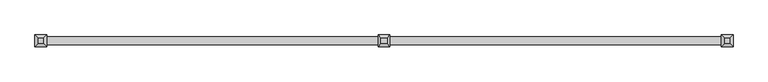
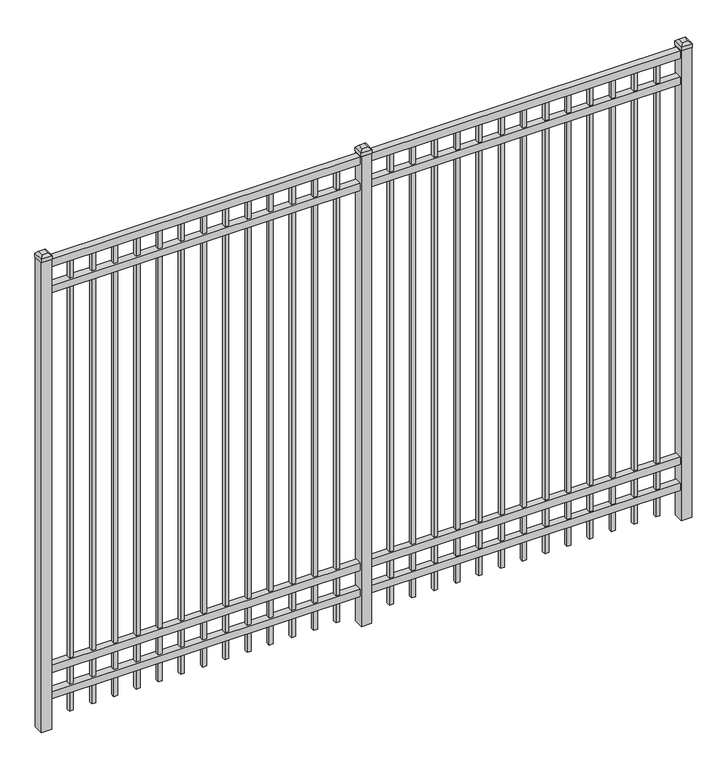
"""IFC4 building model written with IfcOpenShell, lengths in millimetres: railing geometry."""

from ifc_helpers import new_model, si_unit, frame, origin, origin_with_axes, place, context, project, spatial, polyline, outline, extrude, faceted_brep, source, transform, mapped, element, save


def railing_47c44576(model_context):
    return source(origin(), model_context, "Body", "SolidModel", [
        extrude(outline(polyline([(-55249.318087, -6748.7195174), (-55249.318087, -6713.7945174), (-52099.718087, -6713.7945174), (-52099.718087, -6748.7195174), (-55249.318087, -6748.7195174)])), frame((0.0, 0.0, 2400.3), z_axis=(0.0, 0.0, 1.0), x_axis=(1.0, 0.0, 0.0)), (0.0, 0.0, 1.0), 38.1),
        extrude(outline(polyline([(-55249.318087, -6748.7195174), (-55249.318087, -6713.7945174), (-52099.718087, -6713.7945174), (-52099.718087, -6748.7195174), (-55249.318087, -6748.7195174)])), frame((0.0, 0.0, 2263.775), z_axis=(0.0, 0.0, 1.0), x_axis=(1.0, 0.0, 0.0)), (0.0, 0.0, 1.0), 38.1),
        extrude(outline(polyline([(-55249.318087, -6748.7195174), (-55249.318087, -6713.7945174), (-52099.718087, -6713.7945174), (-52099.718087, -6748.7195174), (-55249.318087, -6748.7195174)])), frame((0.0, 0.0, 288.925), z_axis=(0.0, 0.0, 1.0), x_axis=(1.0, 0.0, 0.0)), (0.0, 0.0, 1.0), 38.1),
        extrude(outline(polyline([(-55249.318087, -6748.7195174), (-55249.318087, -6713.7945174), (-52099.718087, -6713.7945174), (-52099.718087, -6748.7195174), (-55249.318087, -6748.7195174)])), frame((0.0, 0.0, 152.4), z_axis=(0.0, 0.0, 1.0), x_axis=(1.0, 0.0, 0.0)), (0.0, 0.0, 1.0), 38.1),
        extrude(outline(polyline([(-52331.2285036, -6721.7320174), (-52331.2285036, -6740.7820174), (-52350.2785036, -6740.7820174), (-52350.2785036, -6721.7320174), (-52331.2285036, -6721.7320174)])), frame((0.0, 0.0, 50.8), z_axis=(0.0, 0.0, 1.0), x_axis=(1.0, 0.0, 0.0)), (0.0, 0.0, 1.0), 2349.5),
        extrude(outline(polyline([(-52440.5014203, -6721.7320174), (-52440.5014203, -6740.7820174), (-52459.5514203, -6740.7820174), (-52459.5514203, -6721.7320174), (-52440.5014203, -6721.7320174)])), frame((0.0, 0.0, 50.8), z_axis=(0.0, 0.0, 1.0), x_axis=(1.0, 0.0, 0.0)), (0.0, 0.0, 1.0), 2349.5),
        extrude(outline(polyline([(-52549.774337, -6721.7320174), (-52549.774337, -6740.7820174), (-52568.824337, -6740.7820174), (-52568.824337, -6721.7320174), (-52549.774337, -6721.7320174)])), frame((0.0, 0.0, 50.8), z_axis=(0.0, 0.0, 1.0), x_axis=(1.0, 0.0, 0.0)), (0.0, 0.0, 1.0), 2349.5),
        extrude(outline(polyline([(-52659.0472536, -6721.7320174), (-52659.0472536, -6740.7820174), (-52678.0972536, -6740.7820174), (-52678.0972536, -6721.7320174), (-52659.0472536, -6721.7320174)])), frame((0.0, 0.0, 50.8), z_axis=(0.0, 0.0, 1.0), x_axis=(1.0, 0.0, 0.0)), (0.0, 0.0, 1.0), 2349.5),
        extrude(outline(polyline([(-52768.3201703, -6721.7320174), (-52768.3201703, -6740.7820174), (-52787.3701703, -6740.7820174), (-52787.3701703, -6721.7320174), (-52768.3201703, -6721.7320174)])), frame((0.0, 0.0, 50.8), z_axis=(0.0, 0.0, 1.0), x_axis=(1.0, 0.0, 0.0)), (0.0, 0.0, 1.0), 2349.5),
        extrude(outline(polyline([(-52877.593087, -6721.7320174), (-52877.593087, -6740.7820174), (-52896.643087, -6740.7820174), (-52896.643087, -6721.7320174), (-52877.593087, -6721.7320174)])), frame((0.0, 0.0, 50.8), z_axis=(0.0, 0.0, 1.0), x_axis=(1.0, 0.0, 0.0)), (0.0, 0.0, 1.0), 2349.5),
        extrude(outline(polyline([(-52986.8660036, -6721.7320174), (-52986.8660036, -6740.7820174), (-53005.9160036, -6740.7820174), (-53005.9160036, -6721.7320174), (-52986.8660036, -6721.7320174)])), frame((0.0, 0.0, 50.8), z_axis=(0.0, 0.0, 1.0), x_axis=(1.0, 0.0, 0.0)), (0.0, 0.0, 1.0), 2349.5),
        extrude(outline(polyline([(-53096.1389203, -6721.7320174), (-53096.1389203, -6740.7820174), (-53115.1889203, -6740.7820174), (-53115.1889203, -6721.7320174), (-53096.1389203, -6721.7320174)])), frame((0.0, 0.0, 50.8), z_axis=(0.0, 0.0, 1.0), x_axis=(1.0, 0.0, 0.0)), (0.0, 0.0, 1.0), 2349.5),
        extrude(outline(polyline([(-53205.411837, -6721.7320174), (-53205.411837, -6740.7820174), (-53224.461837, -6740.7820174), (-53224.461837, -6721.7320174), (-53205.411837, -6721.7320174)])), frame((0.0, 0.0, 50.8), z_axis=(0.0, 0.0, 1.0), x_axis=(1.0, 0.0, 0.0)), (0.0, 0.0, 1.0), 2349.5),
        extrude(outline(polyline([(-53314.6847536, -6721.7320174), (-53314.6847536, -6740.7820174), (-53333.7347536, -6740.7820174), (-53333.7347536, -6721.7320174), (-53314.6847536, -6721.7320174)])), frame((0.0, 0.0, 50.8), z_axis=(0.0, 0.0, 1.0), x_axis=(1.0, 0.0, 0.0)), (0.0, 0.0, 1.0), 2349.5),
        extrude(outline(polyline([(-53423.9576703, -6721.7320174), (-53423.9576703, -6740.7820174), (-53443.0076703, -6740.7820174), (-53443.0076703, -6721.7320174), (-53423.9576703, -6721.7320174)])), frame((0.0, 0.0, 50.8), z_axis=(0.0, 0.0, 1.0), x_axis=(1.0, 0.0, 0.0)), (0.0, 0.0, 1.0), 2349.5),
        extrude(outline(polyline([(-52221.955587, -6721.7320174), (-52221.955587, -6740.7820174), (-52241.005587, -6740.7820174), (-52241.005587, -6721.7320174), (-52221.955587, -6721.7320174)])), frame((0.0, 0.0, 50.8), z_axis=(0.0, 0.0, 1.0), x_axis=(1.0, 0.0, 0.0)), (0.0, 0.0, 1.0), 2349.5),
        extrude(outline(polyline([(-53533.230587, -6721.7320174), (-53533.230587, -6740.7820174), (-53552.280587, -6740.7820174), (-53552.280587, -6721.7320174), (-53533.230587, -6721.7320174)])), frame((0.0, 0.0, 50.8), z_axis=(0.0, 0.0, 1.0), x_axis=(1.0, 0.0, 0.0)), (0.0, 0.0, 1.0), 2349.5),
        extrude(outline(polyline([(-53649.118087, -6705.8570174), (-53649.118087, -6756.6570174), (-53699.918087, -6756.6570174), (-53699.918087, -6705.8570174), (-53649.118087, -6705.8570174)])), origin_with_axes(), (0.0, 0.0, 1.0), 2444.75),
        faceted_brep([(-53701.505587, -6704.2695174, 2463.8), (-53701.505587, -6704.2695174, 2444.75), (-53701.505587, -6758.2445174, 2444.75), (-53701.505587, -6758.2445174, 2463.8), (-53688.805587, -6716.9695174, 2476.5), (-53688.805587, -6745.5445174, 2476.5), (-53647.530587, -6758.2445174, 2444.75), (-53647.530587, -6758.2445174, 2463.8), (-53660.230587, -6745.5445174, 2476.5), (-53647.530587, -6704.2695174, 2444.75), (-53647.530587, -6704.2695174, 2463.8), (-53660.230587, -6716.9695174, 2476.5)], [[[0, 1, 2, 3]], [[4, 0, 3, 5]], [[3, 2, 6, 7]], [[5, 3, 7, 8]], [[7, 6, 9, 10]], [[8, 7, 10, 11]], [[10, 9, 1, 0]], [[11, 10, 0, 4]], [[5, 8, 11, 4]], [[1, 9, 6, 2]]]),
        extrude(outline(polyline([(-53906.0285036, -6721.7320174), (-53906.0285036, -6740.7820174), (-53925.0785036, -6740.7820174), (-53925.0785036, -6721.7320174), (-53906.0285036, -6721.7320174)])), frame((0.0, 0.0, 50.8), z_axis=(0.0, 0.0, 1.0), x_axis=(1.0, 0.0, 0.0)), (0.0, 0.0, 1.0), 2349.5),
        extrude(outline(polyline([(-54015.3014203, -6721.7320174), (-54015.3014203, -6740.7820174), (-54034.3514203, -6740.7820174), (-54034.3514203, -6721.7320174), (-54015.3014203, -6721.7320174)])), frame((0.0, 0.0, 50.8), z_axis=(0.0, 0.0, 1.0), x_axis=(1.0, 0.0, 0.0)), (0.0, 0.0, 1.0), 2349.5),
        extrude(outline(polyline([(-54124.574337, -6721.7320174), (-54124.574337, -6740.7820174), (-54143.624337, -6740.7820174), (-54143.624337, -6721.7320174), (-54124.574337, -6721.7320174)])), frame((0.0, 0.0, 50.8), z_axis=(0.0, 0.0, 1.0), x_axis=(1.0, 0.0, 0.0)), (0.0, 0.0, 1.0), 2349.5),
        extrude(outline(polyline([(-54233.8472536, -6721.7320174), (-54233.8472536, -6740.7820174), (-54252.8972536, -6740.7820174), (-54252.8972536, -6721.7320174), (-54233.8472536, -6721.7320174)])), frame((0.0, 0.0, 50.8), z_axis=(0.0, 0.0, 1.0), x_axis=(1.0, 0.0, 0.0)), (0.0, 0.0, 1.0), 2349.5),
        extrude(outline(polyline([(-54343.1201703, -6721.7320174), (-54343.1201703, -6740.7820174), (-54362.1701703, -6740.7820174), (-54362.1701703, -6721.7320174), (-54343.1201703, -6721.7320174)])), frame((0.0, 0.0, 50.8), z_axis=(0.0, 0.0, 1.0), x_axis=(1.0, 0.0, 0.0)), (0.0, 0.0, 1.0), 2349.5),
        extrude(outline(polyline([(-54452.393087, -6721.7320174), (-54452.393087, -6740.7820174), (-54471.443087, -6740.7820174), (-54471.443087, -6721.7320174), (-54452.393087, -6721.7320174)])), frame((0.0, 0.0, 50.8), z_axis=(0.0, 0.0, 1.0), x_axis=(1.0, 0.0, 0.0)), (0.0, 0.0, 1.0), 2349.5),
        extrude(outline(polyline([(-54561.6660036, -6721.7320174), (-54561.6660036, -6740.7820174), (-54580.7160036, -6740.7820174), (-54580.7160036, -6721.7320174), (-54561.6660036, -6721.7320174)])), frame((0.0, 0.0, 50.8), z_axis=(0.0, 0.0, 1.0), x_axis=(1.0, 0.0, 0.0)), (0.0, 0.0, 1.0), 2349.5),
        extrude(outline(polyline([(-54670.9389203, -6721.7320174), (-54670.9389203, -6740.7820174), (-54689.9889203, -6740.7820174), (-54689.9889203, -6721.7320174), (-54670.9389203, -6721.7320174)])), frame((0.0, 0.0, 50.8), z_axis=(0.0, 0.0, 1.0), x_axis=(1.0, 0.0, 0.0)), (0.0, 0.0, 1.0), 2349.5),
        extrude(outline(polyline([(-54780.211837, -6721.7320174), (-54780.211837, -6740.7820174), (-54799.261837, -6740.7820174), (-54799.261837, -6721.7320174), (-54780.211837, -6721.7320174)])), frame((0.0, 0.0, 50.8), z_axis=(0.0, 0.0, 1.0), x_axis=(1.0, 0.0, 0.0)), (0.0, 0.0, 1.0), 2349.5),
        extrude(outline(polyline([(-54889.4847536, -6721.7320174), (-54889.4847536, -6740.7820174), (-54908.5347536, -6740.7820174), (-54908.5347536, -6721.7320174), (-54889.4847536, -6721.7320174)])), frame((0.0, 0.0, 50.8), z_axis=(0.0, 0.0, 1.0), x_axis=(1.0, 0.0, 0.0)), (0.0, 0.0, 1.0), 2349.5),
        extrude(outline(polyline([(-54998.7576703, -6721.7320174), (-54998.7576703, -6740.7820174), (-55017.8076703, -6740.7820174), (-55017.8076703, -6721.7320174), (-54998.7576703, -6721.7320174)])), frame((0.0, 0.0, 50.8), z_axis=(0.0, 0.0, 1.0), x_axis=(1.0, 0.0, 0.0)), (0.0, 0.0, 1.0), 2349.5),
        extrude(outline(polyline([(-53796.755587, -6721.7320174), (-53796.755587, -6740.7820174), (-53815.805587, -6740.7820174), (-53815.805587, -6721.7320174), (-53796.755587, -6721.7320174)])), frame((0.0, 0.0, 50.8), z_axis=(0.0, 0.0, 1.0), x_axis=(1.0, 0.0, 0.0)), (0.0, 0.0, 1.0), 2349.5),
        extrude(outline(polyline([(-55108.030587, -6721.7320174), (-55108.030587, -6740.7820174), (-55127.080587, -6740.7820174), (-55127.080587, -6721.7320174), (-55108.030587, -6721.7320174)])), frame((0.0, 0.0, 50.8), z_axis=(0.0, 0.0, 1.0), x_axis=(1.0, 0.0, 0.0)), (0.0, 0.0, 1.0), 2349.5),
        extrude(outline(polyline([(-52074.318087, -6705.8570174), (-52074.318087, -6756.6570174), (-52125.118087, -6756.6570174), (-52125.118087, -6705.8570174), (-52074.318087, -6705.8570174)])), origin_with_axes(), (0.0, 0.0, 1.0), 2444.75),
        faceted_brep([(-52126.705587, -6704.2695174, 2463.8), (-52126.705587, -6704.2695174, 2444.75), (-52126.705587, -6758.2445174, 2444.75), (-52126.705587, -6758.2445174, 2463.8), (-52114.005587, -6716.9695174, 2476.5), (-52114.005587, -6745.5445174, 2476.5), (-52072.730587, -6758.2445174, 2444.75), (-52072.730587, -6758.2445174, 2463.8), (-52085.430587, -6745.5445174, 2476.5), (-52072.730587, -6704.2695174, 2444.75), (-52072.730587, -6704.2695174, 2463.8), (-52085.430587, -6716.9695174, 2476.5)], [[[0, 1, 2, 3]], [[4, 0, 3, 5]], [[3, 2, 6, 7]], [[5, 3, 7, 8]], [[7, 6, 9, 10]], [[8, 7, 10, 11]], [[10, 9, 1, 0]], [[11, 10, 0, 4]], [[5, 8, 11, 4]], [[1, 9, 6, 2]]]),
        extrude(outline(polyline([(-55223.918087, -6705.8570174), (-55223.918087, -6756.6570174), (-55274.718087, -6756.6570174), (-55274.718087, -6705.8570174), (-55223.918087, -6705.8570174)])), origin_with_axes(), (0.0, 0.0, 1.0), 2444.75),
        faceted_brep([(-55276.305587, -6704.2695174, 2463.8), (-55276.305587, -6704.2695174, 2444.75), (-55276.305587, -6758.2445174, 2444.75), (-55276.305587, -6758.2445174, 2463.8), (-55263.605587, -6716.9695174, 2476.5), (-55263.605587, -6745.5445174, 2476.5), (-55222.330587, -6758.2445174, 2444.75), (-55222.330587, -6758.2445174, 2463.8), (-55235.030587, -6745.5445174, 2476.5), (-55222.330587, -6704.2695174, 2444.75), (-55222.330587, -6704.2695174, 2463.8), (-55235.030587, -6716.9695174, 2476.5)], [[[0, 1, 2, 3]], [[4, 0, 3, 5]], [[3, 2, 6, 7]], [[5, 3, 7, 8]], [[7, 6, 9, 10]], [[8, 7, 10, 11]], [[10, 9, 1, 0]], [[11, 10, 0, 4]], [[5, 8, 11, 4]], [[1, 9, 6, 2]]]),
    ])


if __name__ == "__main__":
    model = new_model("IFC4")
    model_context = context("Model", 3, world=origin())
    ifc_project = project(units=[si_unit("LENGTHUNIT", "METRE", prefix="MILLI")], contexts=[model_context])
    site = spatial("IfcSite", under=ifc_project)
    building = spatial("IfcBuilding", under=site)
    placement = place(None, origin())
    railing_shape = railing_47c44576(model_context)
    element("IfcRailing", 1, at=placement, inside=building, context=model_context, shape_type="MappedRepresentation", body=[
        mapped(railing_shape, transform((0.0, 0.0, 0.0), x_axis=(1.0, 0.0, 0.0), y_axis=(0.0, 1.0, 0.0), z_axis=(0.0, 0.0, 1.0))),
    ])
    save(model, "model.ifc")
